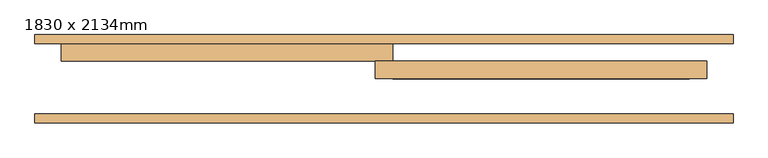
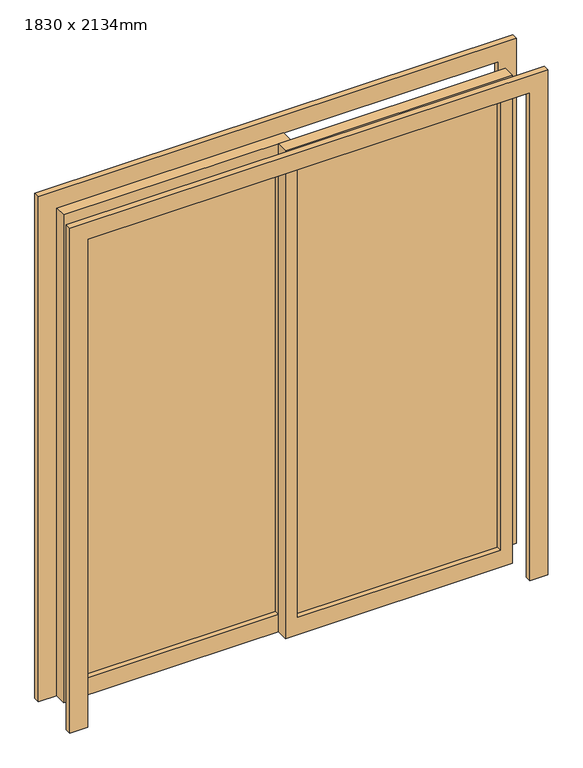
"""IFC4 building model written with IfcOpenShell, lengths in millimetres: door geometry, 1830 x 2134mm."""

from ifc_helpers import new_model, si_unit, frame, origin, place, context, project, spatial, polyline, outline, extrude, source, transform, mapped, element, save


def door_1830_x_2134mm_cc41b145(model_context):
    return source(origin(), model_context, "Body", "SweptSolid", [
        extrude(outline(polyline([(25.4, 155.175), (865.0, 155.175), (865.0, 148.825), (25.4, 148.825), (25.4, 155.175)])), frame((0.0, 0.0, 75.0), z_axis=(0.0, 0.0, 1.0), x_axis=(1.0, 0.0, 0.0)), (0.0, 0.0, 1.0), 1984.0),
        extrude(outline(polyline([(2134.0, -25.4), (0.0, -25.4), (0.0, 915.0), (2134.0, 915.0), (2134.0, -25.4)]), holes=[polyline([(2059.0, 24.6), (2059.0, 865.0), (75.0, 865.0), (75.0, 24.6), (2059.0, 24.6)])]), frame((0.0, 127.0, 0.0), z_axis=(0.0, 1.0, 0.0), x_axis=(0.0, 0.0, 1.0)), (0.0, 0.0, 1.0), 50.0),
        extrude(outline(polyline([(-865.0, 205.175), (-24.6, 205.175), (-24.6, 198.825), (-865.0, 198.825), (-865.0, 205.175)])), frame((0.0, 0.0, 75.0), z_axis=(0.0, 0.0, 1.0), x_axis=(1.0, 0.0, 0.0)), (0.0, 0.0, 1.0), 1984.0),
        extrude(outline(polyline([(2134.0, 25.4), (2134.0, -915.0), (0.0, -915.0), (0.0, 25.4), (2134.0, 25.4)]), holes=[polyline([(2059.0, -24.6), (75.0, -24.6), (75.0, -865.0), (2059.0, -865.0), (2059.0, -24.6)])]), frame((0.0, 177.0, 0.0), z_axis=(0.0, 1.0, 0.0), x_axis=(0.0, 0.0, 1.0)), (0.0, 0.0, 1.0), 50.0),
        extrude(outline(polyline([(0.0, -990.0), (0.0, -915.0), (2134.0, -915.0), (2134.0, 915.0), (0.0, 915.0), (0.0, 990.0), (2209.0, 990.0), (2209.0, -990.0), (0.0, -990.0)])), frame((0.0, 2.0, 0.0), z_axis=(0.0, 1.0, 0.0), x_axis=(0.0, 0.0, 1.0)), (0.0, 0.0, 1.0), 25.0),
        extrude(outline(polyline([(0.0, 990.0), (2209.0, 990.0), (2209.0, -990.0), (0.0, -990.0), (0.0, -915.0), (2134.0, -915.0), (2134.0, 915.0), (0.0, 915.0), (0.0, 990.0)])), frame((0.0, 227.0, 0.0), z_axis=(0.0, 1.0, 0.0), x_axis=(0.0, 0.0, 1.0)), (0.0, 0.0, 1.0), 25.0),
    ])


if __name__ == "__main__":
    model = new_model("IFC4")
    model_context = context("Model", 3, world=origin())
    ifc_project = project(units=[si_unit("LENGTHUNIT", "METRE", prefix="MILLI")], contexts=[model_context])
    site = spatial("IfcSite", under=ifc_project)
    building = spatial("IfcBuilding", under=site)
    placement = place(None, origin())
    door_1830_x_2134mm_shape = door_1830_x_2134mm_cc41b145(model_context)
    element("IfcDoor", 1, ObjectType="1830 x 2134mm", at=placement, inside=building, context=model_context, shape_type="MappedRepresentation", body=[
        mapped(door_1830_x_2134mm_shape, transform((0.0, 0.0, 0.0), x_axis=(1.0, 0.0, 0.0), y_axis=(0.0, 1.0, 0.0), z_axis=(0.0, 0.0, 1.0))),
    ])
    save(model, "model.ifc")
